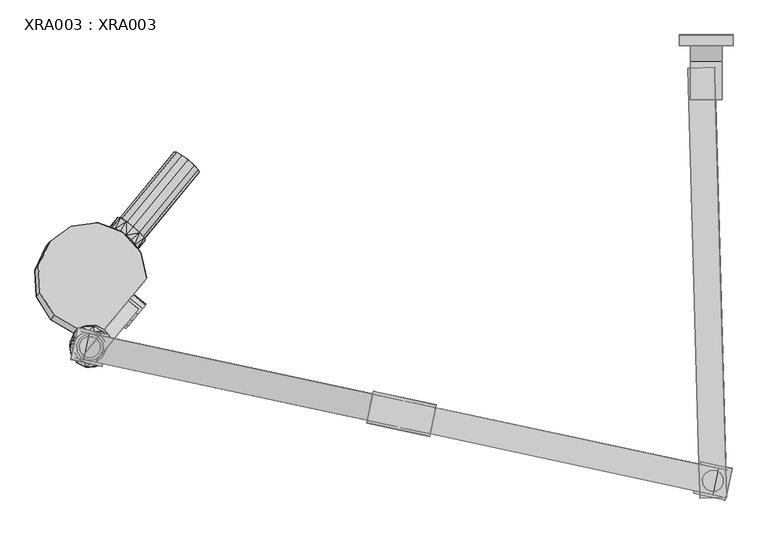
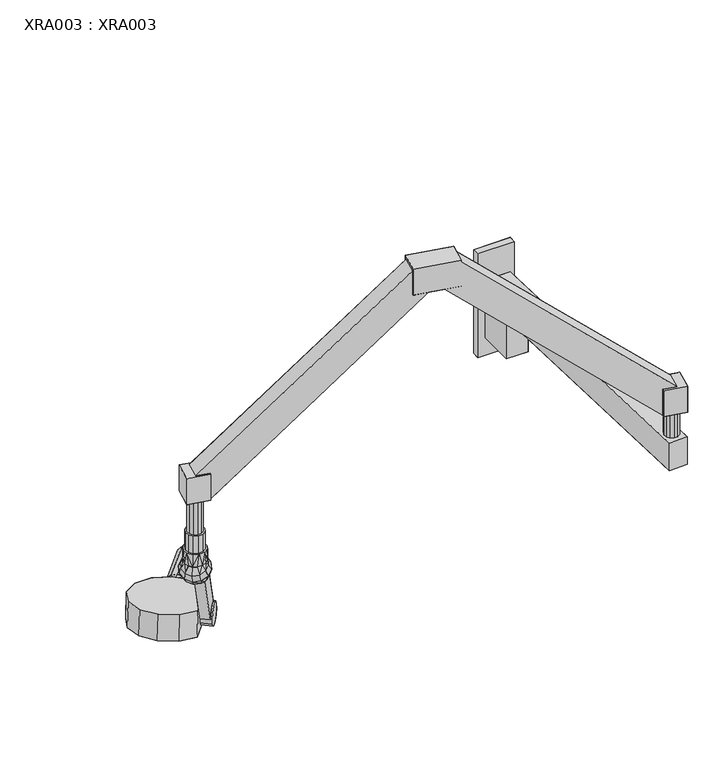
"""IFC4 building model written with IfcOpenShell, lengths in millimetres: proxy geometry, XRA003 : XRA003."""

from ifc_helpers import new_model, si_unit, origin, place, context, project, spatial, triangles, source, transform, mapped, element, save


def xra003_xra003_fbb56f65(model_context):
    return source(origin(), model_context, "Body", "Tessellation", [
        triangles([(-1120.6799961, -576.269985, 225.0000017), (-1119.449984, -589.1600049, 225.0000017), (-1076.7499741, -596.3500093, 225.0000017), (-1071.3699972, -584.5900077, 225.0000017), (-1111.9500057, -599.6999866, 225.0000017), (-1100.1800119, -605.0799997, 225.0000017), (-1115.2899908, -564.5099833, 225.0000017), (-1104.7500092, -557.000013, 225.0000017), (-1091.8699814, -555.779993, 225.0000017), (-1072.5899809, -571.6999878, 225.0000017), (-1080.0999876, -561.1600061, 225.0000017), (-1087.2900284, -603.8600161, 225.0000017), (-1071.3699972, -584.5900077, 175.0000013), (-1076.7499741, -596.3500093, 175.0000013), (-1087.2900284, -603.8600161, 175.0000013), (-1100.1800119, -605.0799997, 175.0000013), (-1111.9500057, -599.6999866, 175.0000013), (-1120.6799961, -576.269985, 175.0000013), (-1119.449984, -589.1600049, 175.0000013), (-1104.7500092, -557.000013, 175.0000013), (-1115.2899908, -564.5099833, 175.0000013), (-1091.8699814, -555.779993, 175.0000013), (-1080.0999876, -561.1600061, 175.0000013), (-1072.5899809, -571.6999878, 175.0000013), (-1125.6100004, -575.4500133, 175.0000013), (-1119.1399738, -561.3199891, 175.0000013), (-1119.1600307, -561.3300176, 142.519998), (-1124.7000269, -571.6200145, 141.5999961), (-1066.4399929, -585.4200079, 175.0000013), (-1072.8900352, -599.5400036, 175.0000013), (-1072.8900352, -599.5400036, 142.519998), (-1067.3499664, -589.2500067, 143.4099964), (-1069.5199648, -566.3899921, 144.619997), (-1067.910034, -569.9600141, 175.0000013), (-1066.149967, -577.6099832, 144.1400027), (-1076.9099934, -557.2999947, 144.7899994), (-1076.9200218, -557.3099868, 175.0000013), (-1098.8899744, -550.5599991, 144.1400027), (-1091.0299891, -550.8499887, 175.0000013), (-1087.2400314, -551.7400143, 144.619997), (-1106.4900192, -552.3100013, 175.0000013), (-1122.5300285, -594.4799927, 140.2399955), (-1124.140032, -590.9100071, 175.0000013), (-1125.8899979, -583.2500095, 140.7999995), (-1115.1299715, -603.559998, 140.0499998), (-1115.1299715, -603.559998, 175.0000013), (-1093.1499905, -610.2900015, 140.7999995), (-1101.0099758, -610.010004, 175.0000013), (-1104.8100346, -609.1099863, 140.2399955), (-1085.5500183, -608.5399993, 175.0000013), (-1110.0999733, -553.939989, 143.4099964), (-1081.9599758, -606.9200037, 141.5999961), (-1100.3600155, -585.6799848, 77.1499965), (-1052.3899784, -527.6200112, -78.3499959), (-1033.1200064, -543.5499982, -78.3499959), (-1093.4400164, -592.2400131, 78.4800025), (-1088.0000141, -599.1600122, 82.3599983), (-1084.5600351, -605.8199982, 88.4100014), (-1092.9899712, -603.96001, 85.0699982), (-1106.8399979, -593.5199859, 80.9800044), (-1103.6899721, -589.7100077, 78.7200042), (-1069.5999744, -548.4599819, 109.2999963), (-1069.2399673, -548.0100094, 114.7199962), (-1058.5999918, -562.3299929, 111.2200009), (-1071.7699728, -551.069997, 133.5800005), (-1109.9400267, -542.8900094, 124.8600022), (-1126.9599907, -563.4799953, 134.1499966), (-1106.5400162, -608.8500094, 139.7700024), (-1115.7800045, -604.3499934, 138.6099987), (-1120.1099728, -609.5900079, 119.0500008), (-1104.0999762, -617.4000326, 121.0699992), (-1117.6299643, -606.5900093, 98.7099996), (-1129.9800098, -590.1200117, 101.0500003), (-1120.6900246, -582.5299953, 85.9599966), (-1109.7699789, -597.0800157, 83.9000024), (-1130.8000179, -595.3300135, 121.0699992), (-1121.9600052, -596.1200089, 139.7700024), (-1079.4599831, -614.7700333, 107.4299978), (-1087.0499994, -616.6800184, 126.6000032), (-1099.1400318, -615.6100256, 101.0500003), (-1055.909967, -571.1200087, 110.2099971), (-1056.5299873, -587.0199829, 124.8600022), (-1056.0899706, -579.2000024, 105.699998), (-1063.870019, -604.3099886, 116.1499961), (-1062.4499748, -594.180011, 98.1499956), (-1067.1900198, -592.6399887, 141.699999), (-1059.6600288, -575.6800138, 97.1099973), (-1066.7600315, -584.2600133, 88.0400022), (-1073.550024, -607.6100052, 134.1499966), (-1116.7600319, -550.0199884, 99.3099993), (-1123.2499701, -565.3000151, 91.5999957), (-1132.8700224, -570.6399871, 107.4299978), (-1125.5400192, -553.3500177, 116.1499961), (-1102.9700306, -540.770008, 107.0100017), (-1113.4499868, -554.4200106, 141.699999), (-1090.2500221, -542.0600092, 131.250001), (-1085.580031, -540.0400017, 112.660002), (-1070.430011, -549.4500014, 104.0100031), (-1064.7799925, -557.5500157, 100.2799982), (-1071.6999916, -550.9899874, 98.9400001), (-1059.3399902, -564.480007, 104.1500018), (-1075.6900097, -595.0700003, 84.9199983), (-1075.9500229, -603.2399958, 90.6000022), (-1059.4199999, -567.5399946, 131.250001), (-1133.3099665, -578.4600039, 126.6000032), (-1049.6000324, -524.2500134, -64.3299987), (-1042.9000053, -516.140007, -54.0700009), (-1033.8999733, -505.2500104, -50.0299995), (-1024.7599789, -494.1900023, -53.179998), (-1005.5000353, -510.1199893, -53.179998), (-1030.3200319, -540.1700083, -64.3299987), (-1023.6300333, -532.069994, -54.0700009), (-1014.6300013, -521.1799973, -50.0299995), (-1008.1700031, -412.0400022, -128.3499963), (-1169.1699869, -529.359985, -99.7300045), (-1195.3899708, -486.8000101, -102.1200022), (-1041.0799856, -374.3400141, -129.5499958), (-1087.8099821, -356.6300122, -127.1599981), (-1137.1499937, -363.1400073, -121.7600007), (-1198.2799833, -437.1300041, -107.5199996), (-1177.1800358, -392.3199849, -114.6399956), (-1125.9500233, -554.5799935, -100.930004), (-997.0200296, -460.6299869, -123.8499985), (-1076.1399822, -556.3600084, -105.4300018), (-1028.020027, -371.9299868, -63.3099983), (-1001.6299953, -404.1299835, -59.0999991), (-1018.9800264, -380.890014, -65.7000005), (-1059.999979, -358.8199948, -95.149997), (-1081.2800028, -348.7100015, -57.9100008), (-1056.340028, -358.369986, -82.7399987), (-1119.4100155, -546.6599828, -31.6900011), (-1162.6200233, -521.4500027, -30.4899994), (-1188.8400072, -478.8899915, -32.8799993), (-1191.750004, -429.2099934, -38.279999), (-1170.640028, -384.389982, -45.3999995), (-1130.6000301, -355.2199965, -52.5099989), (-1034.1899992, -379.3899965, -128.5999992), (-1044.2100271, -371.6300051, -125.9800011), (-1034.530022, -366.4299954, -60.2999985), (-1069.5900187, -548.4499898, -36.1899989), (-1048.620005, -360.2199821, -72.4800009), (-1038.5199675, -364.7399823, -65.7000005), (-1012.6400064, -389.9499988, -72.4800009), (-1009.3599741, -397.1900002, -82.7399987), (-1009.1200178, -400.860016, -95.149997), (-990.4899776, -452.7100124, -54.6000012), (-1011.7300329, -400.0599921, -107.799997), (-1016.9999874, -395.230018, -118.6399967), (-1024.6799692, -387.7899925, -125.9800011), (-1052.979986, -365.5000013, -118.6399967), (-1058.7100142, -361.2299858, -107.799997), (-1009.1799706, -372.9100142, -124.5099963), (-999.729966, -378.6199854, -113.580004), (-997.860022, -380.4499972, -115.0499996), (-1008.2500128, -374.1799948, -127.0699963), (-995.3000038, -379.4300014, -98.7200008), (-992.9800146, -381.3299944, -98.7099996), (-1003.1700176, -367.4999883, -70.5300018), (-994.9299683, -376.5899858, -82.4100043), (-997.0700266, -375.1200173, -83.9100036), (-1004.5599764, -366.8499916, -73.1099997), (-1028.6300188, -346.4900062, -70.7299987), (-1015.5199905, -356.479985, -66.2599999), (-1015.7800037, -356.83, -69.2299994), (-1027.7100168, -347.7599868, -73.2899987), (-1037.1600214, -342.0500155, -84.2199956), (-1039.0200096, -340.2299958, -82.7499999), (-1041.5899836, -341.2399996, -99.0799988), (-1043.900017, -339.3400065, -99.1000012), (-1033.6999855, -353.1800048, -127.2700023), (-1041.9600191, -344.0800152, -115.3900043), (-1039.8200335, -345.5499836, -113.889996), (-1032.3100267, -353.8300014, -124.6899999), (-1021.3699968, -364.200008, -131.5399997), (-1021.1000278, -363.8400009, -128.5799968), (-934.2899923, -217.5799968, -108.1600041), (-924.8500162, -223.2700019, -97.2300027), (-906.3199699, -248.4399954, -148.4499958), (-918.249983, -239.3700003, -152.5199963), (-912.9200031, -232.3599994, -93.1700034), (-894.1999975, -250.6299962, -107.8500031), (-901.7100042, -242.3699989, -97.0499991), (-892.4400032, -254.9399983, -122.6600003), (-938.7200272, -216.769999, -123.0199983), (-936.9500044, -221.0800012, -137.8300045), (-929.4599819, -229.3500087, -148.6299994), (-896.8799938, -254.1399927, -137.5200035), (-1036.229991, -508.0700054, -109.6699955), (-1045.28002, -519.0199911, -103.4100034), (-1018.4100031, -486.5099842, -98.8100025), (-1026.399995, -496.1600129, -107.9800006), (-1014.419985, -481.6800101, -84.599996), (-1015.5000063, -482.9800035, -69.16), (-1051.1199978, -526.0900174, -90.8799997), (-1021.3399841, -490.0599855, -56.6300009), (-1030.3999689, -501.0100076, -50.3699996), (-1040.2299648, -512.9000158, -52.0499979), (-1048.210001, -522.5600003, -61.2300017), (-1052.1899906, -527.3900107, -75.4399992), (-1027.9999701, -545.2000065, -90.8799997), (-1017.0999813, -532.019997, -52.0499979), (-1025.0800175, -541.6699894, -61.2300017), (-1029.0700356, -546.4999998, -75.4399992), (-1007.2699854, -520.1100045, -50.3699996), (-998.2100006, -509.1599825, -56.6300009), (-1022.1499638, -538.1300165, -103.4100034), (-1013.1000074, -527.1700024, -109.6699955), (-992.3700228, -502.0899925, -69.16), (-995.2800196, -505.6100175, -98.8100025), (-991.3000299, -500.7899992, -84.599996), (-1003.2700115, -515.2799941, -107.9800006), (-1096.6199821, -554.7299844, 400.0000031), (-1061.4500359, -562.289988, 400.0000031), (-1061.4500359, -562.289988, 325.0000025), (-1113.3100245, -551.1500067, 384.8799957), (-1107.1199953, -603.609995, 400.0000031), (-1123.8000092, -600.0400094, 384.8799957), (-1071.9299921, -611.170035, 325.0000025), (-1071.9299921, -611.170035, 400.0000031), (-1072.9900291, -616.0599981, 325.0000025), (-1072.9900291, -616.0599981, 400.0000031), (-1060.3899988, -557.3999886, 400.0000031), (-1060.3899988, -557.3999886, 325.0000025), (-1131.649966, -603.4600041, 400.0000031), (-1119.0500084, -544.7999946, 400.0000031), (-1131.649966, -603.4600041, 325.0000025), (-1119.0500084, -544.7999946, 325.0000025), (26.9499993, -852.2000175, 400.0000031), (26.9499993, -852.2000175, 325.0000025), (85.6099998, -864.779991, 400.0000031), (85.6099998, -864.779991, 325.0000025), (98.2100028, -806.1300098, 325.0000025), (98.2100028, -806.1300098, 400.0000031), (39.5400011, -793.5299795, 325.0000025), (39.5400011, -793.5299795, 400.0000031), (28.000001, -847.3000259, 325.0000025), (38.4999983, -798.4200153, 325.0000025), (73.6800003, -805.9699905, 400.0000031), (38.4999983, -798.4200153, 400.0000031), (63.190002, -854.8600296, 400.0000031), (28.000001, -847.3000259, 400.0000031), (79.8699976, -858.439971, 384.8799957), (90.3700017, -809.560033, 384.8799957), (-464.3499996, -746.7199734, 809.9999771), (-581.6800109, -721.5300138, 809.9999771), (-581.6800109, -721.5300138, 884.9999777), (-464.3499996, -746.7199734, 884.9999777), (-451.7599977, -688.0599638, 884.9999777), (-569.090009, -662.8700043, 884.9999777), (-451.7599977, -688.0599638, 809.9999771), (-569.090009, -662.8700043, 809.9999771), (-536.679996, -726.0800268, 809.9999771), (-507.2599895, -732.3900341, 809.9999771), (-526.1900113, -677.2000162, 809.9999771), (-496.7700047, -683.5100235, 809.9999771), (-580.6300023, -716.6500065, 809.9999771), (-463.299991, -741.8300102, 809.9999771), (-452.8100063, -692.9399712, 809.9999771), (-570.1299891, -667.7599674, 809.9999771), (-463.299991, -741.8300102, 877.0500269), (-452.8100063, -692.9399712, 877.0500269), (-580.6300023, -716.6500065, 877.0500269), (-570.1299891, -667.7599674, 877.0500269), (-467.1600025, -740.9999737, 880.5500313), (-519.0299832, -729.8699844, 820.6699654), (-508.5399985, -680.980018, 820.6699654), (-456.6700178, -692.1200357, 880.5500313), (-514.4099891, -679.7199932, 820.6699654), (-524.9100022, -728.6100323, 820.6699654), (-576.7799829, -717.4700146, 880.5500313), (-566.2800061, -668.5799755, 880.5500313), (-1076.990003, -574.2899823, 325.0000025), (-1082.6100088, -565.5900046, 325.0000025), (-1115.5699883, -576.2300165, 325.0000025), (-1110.8600286, -567.0100124, 325.0000025), (-1102.1599783, -561.3999988, 325.0000025), (-1091.8199844, -560.8800087, 325.0000025), (-1076.4600208, -584.6300125, 325.0000025), (-1115.0500345, -586.5700104, 325.0000025), (-1081.1899647, -593.8399881, 325.0000025), (-1089.8799866, -599.4599939, 325.0000025), (-1109.4399845, -595.2599959, 325.0000025), (-1100.2199804, -599.9900125, 325.0000025), (-1076.4600208, -584.6300125, 225.0000017), (-1081.1899647, -593.8399881, 225.0000017), (-1115.0500345, -586.5700104, 225.0000017), (-1115.5699883, -576.2300165, 225.0000017), (-1109.4399845, -595.2599959, 225.0000017), (-1089.8799866, -599.4599939, 225.0000017), (-1100.2199804, -599.9900125, 225.0000017), (-1076.990003, -574.2899823, 225.0000017), (-1110.8600286, -567.0100124, 225.0000017), (-1082.6100088, -565.5900046, 225.0000017), (-1102.1599783, -561.3999988, 225.0000017), (-1091.8199844, -560.8800087, 225.0000017), (77.4200018, -842.5700094, 325.0000025), (82.139999, -833.3600338, 325.0000025), (47.7400002, -815.7499895, 325.0000025), (43.0299998, -824.9599651, 325.0000025), (81.6099986, -823.0100115, 325.0000025), (56.4400006, -810.1299837, 325.0000025), (75.9900019, -814.330018, 325.0000025), (66.779999, -809.6000015, 325.0000025), (68.7200014, -848.199971, 325.0000025), (49.159999, -844.0000093, 325.0000025), (58.3899997, -848.7199974, 325.0000025), (43.5400023, -835.3000317, 325.0000025), (43.5400023, -835.3000317, 250.0000019), (43.0299998, -824.9599651, 250.0000019), (58.3899997, -848.7199974, 250.0000019), (49.159999, -844.0000093, 250.0000019), (68.7200014, -848.199971, 250.0000019), (77.4200018, -842.5700094, 250.0000019), (47.7400002, -815.7499895, 250.0000019), (82.139999, -833.3600338, 250.0000019), (81.6099986, -823.0100115, 250.0000019), (75.9900019, -814.330018, 250.0000019), (56.4400006, -810.1299837, 250.0000019), (66.779999, -809.6000015, 250.0000019), (87.929998, -859.769977, 169.9999977), (37.959999, -861.1799927, 169.9999977), (87.929998, -859.769977, 250.0000019), (37.959999, -861.1799927, 250.0000019), (15.4699996, -61.4900013, 169.9999977), (15.4699996, -61.4900013, 250.0000019), (65.4500021, -60.0900004, 169.9999977), (65.4500021, -60.0900004, 250.0000019), (80.0000042, -20.0000011, 210.0000089), (80.0000042, -20.0000011, 50.0000004), (80.0000042, -49.4599988, 169.9999977), (80.0000042, -119.9999973, 169.9999977), (80.0000042, -119.9999973, 50.0000004), (20.0000011, -20.0000011, 210.0000089), (20.0000011, -20.0000011, 50.0000004), (20.0000011, -49.4599988, 169.9999977), (20.0000011, -119.9999973, 169.9999977), (20.0000011, -119.9999973, 50.0000004), (100.0000008, -20.0000011, 300.0000023), (100.0000008, -20.0000011, 0.0), (100.0000008, 0.0, 0.0), (100.0000008, 0.0, 300.0000023), (0.0, 0.0, 0.0), (0.0, 0.0, 300.0000023), (0.0, -20.0000011, 0.0), (0.0, -20.0000011, 300.0000023)], [[1, 2, 3], [1, 3, 4], [2, 5, 6], [7, 1, 4], [8, 7, 4], [9, 8, 4], [10, 11, 9], [10, 9, 4], [12, 2, 6], [12, 3, 2], [13, 4, 3], [13, 3, 14], [12, 15, 14], [12, 14, 3], [15, 12, 6], [15, 6, 16], [5, 17, 16], [5, 16, 6], [18, 19, 2], [18, 2, 1], [20, 21, 7], [20, 7, 8], [8, 9, 22], [8, 22, 20], [11, 23, 22], [11, 22, 9], [23, 11, 24], [11, 10, 24], [4, 13, 24], [4, 24, 10], [1, 7, 21], [1, 21, 18], [5, 2, 19], [5, 19, 17], [25, 26, 27], [25, 27, 28], [29, 30, 31], [29, 31, 32], [33, 34, 35], [36, 37, 34], [36, 34, 33], [38, 39, 40], [41, 39, 38], [42, 43, 44], [45, 46, 43], [45, 43, 42], [47, 48, 49], [50, 48, 47], [45, 49, 48], [45, 48, 46], [25, 44, 43], [44, 25, 28], [41, 51, 27], [41, 27, 26], [51, 41, 38], [36, 40, 39], [36, 39, 37], [29, 35, 34], [35, 29, 32], [52, 50, 47], [31, 30, 50], [31, 50, 52], [17, 19, 43], [17, 43, 46], [50, 30, 15], [30, 14, 15], [23, 24, 37], [24, 34, 37], [37, 39, 22], [37, 22, 23], [41, 20, 22], [41, 22, 39], [41, 26, 21], [41, 21, 20], [25, 18, 21], [25, 21, 26], [46, 48, 16], [46, 16, 17], [50, 15, 48], [15, 16, 48], [29, 13, 14], [29, 14, 30], [18, 25, 43], [18, 43, 19], [13, 29, 34], [13, 34, 24], [53, 54, 55], [53, 55, 56], [57, 56, 55], [58, 57, 55], [59, 60, 61], [59, 61, 56], [62, 63, 64], [65, 36, 33], [38, 66, 51], [27, 67, 28], [68, 69, 70], [68, 70, 71], [72, 73, 74], [72, 74, 75], [76, 70, 69], [76, 69, 77], [45, 77, 69], [78, 79, 71], [78, 71, 80], [59, 80, 72], [59, 72, 75], [71, 70, 72], [71, 72, 80], [71, 79, 47], [71, 47, 49], [68, 71, 49], [78, 80, 58], [81, 82, 83], [84, 85, 83], [84, 83, 82], [32, 82, 35], [32, 86, 82], [87, 83, 85], [88, 87, 85], [89, 84, 82], [89, 82, 86], [76, 77, 42], [73, 72, 70], [73, 70, 76], [45, 69, 68], [90, 91, 92], [90, 92, 93], [91, 74, 73], [91, 73, 92], [66, 94, 90], [66, 90, 93], [95, 66, 93], [95, 93, 67], [96, 97, 94], [96, 94, 66], [96, 65, 63], [96, 63, 97], [98, 62, 64], [98, 64, 99], [100, 98, 99], [101, 99, 64], [81, 101, 64], [81, 83, 87], [102, 88, 85], [103, 78, 58], [85, 84, 78], [85, 78, 103], [103, 102, 85], [102, 103, 58], [53, 56, 61], [59, 58, 80], [59, 57, 58], [59, 56, 57], [60, 59, 75], [31, 86, 32], [104, 65, 33], [64, 63, 65], [64, 65, 104], [104, 81, 64], [104, 82, 81], [104, 35, 82], [35, 104, 33], [40, 36, 65], [96, 66, 38], [96, 40, 65], [40, 96, 38], [95, 67, 27], [95, 51, 66], [51, 95, 27], [44, 105, 76], [44, 76, 42], [92, 73, 76], [92, 76, 105], [67, 93, 92], [67, 92, 105], [105, 28, 67], [44, 28, 105], [42, 77, 45], [45, 68, 49], [52, 47, 79], [89, 86, 31], [79, 78, 84], [79, 84, 89], [89, 52, 79], [52, 89, 31], [97, 74, 91], [94, 97, 91], [90, 94, 91], [63, 75, 74], [63, 74, 97], [106, 53, 107], [63, 62, 98], [61, 60, 75], [53, 61, 75], [54, 53, 106], [100, 63, 98], [53, 75, 63], [53, 63, 100], [108, 107, 53], [108, 53, 100], [109, 108, 100], [101, 81, 110], [99, 101, 110], [110, 109, 100], [110, 100, 99], [88, 102, 111], [88, 111, 112], [110, 87, 113], [81, 87, 110], [112, 113, 87], [112, 87, 88], [58, 111, 102], [55, 111, 58], [112, 111, 106], [112, 106, 107], [110, 113, 108], [110, 108, 109], [107, 108, 113], [107, 113, 112], [54, 106, 111], [54, 111, 55], [114, 115, 116], [114, 116, 117], [118, 117, 116], [119, 118, 116], [120, 121, 119], [120, 119, 116], [122, 115, 114], [123, 124, 122], [123, 122, 114], [125, 126, 127], [128, 118, 129], [130, 128, 129], [115, 122, 131], [115, 131, 132], [133, 116, 132], [116, 115, 132], [116, 133, 134], [116, 134, 120], [135, 121, 120], [135, 120, 134], [121, 135, 136], [121, 136, 119], [129, 118, 119], [129, 119, 136], [137, 117, 138], [114, 117, 137], [139, 126, 125], [140, 131, 122], [140, 122, 124], [141, 130, 129], [139, 141, 129], [142, 141, 139], [142, 139, 125], [143, 127, 126], [144, 143, 126], [145, 144, 126], [126, 146, 123], [126, 123, 114], [114, 145, 126], [147, 145, 114], [148, 147, 114], [149, 148, 114], [149, 114, 137], [118, 138, 117], [150, 138, 118], [151, 150, 118], [151, 118, 128], [131, 139, 129], [131, 129, 132], [133, 132, 129], [134, 133, 129], [136, 135, 134], [136, 134, 129], [126, 139, 131], [140, 146, 126], [140, 126, 131], [146, 140, 124], [146, 124, 123], [152, 153, 154], [152, 154, 155], [156, 157, 154], [156, 154, 153], [158, 159, 160], [158, 160, 161], [162, 163, 164], [162, 164, 165], [165, 166, 167], [165, 167, 162], [168, 169, 167], [168, 167, 166], [170, 171, 172], [170, 172, 173], [155, 174, 175], [155, 175, 152], [161, 164, 163], [161, 163, 158], [156, 160, 159], [156, 159, 157], [173, 175, 174], [173, 174, 170], [168, 172, 171], [168, 171, 169], [167, 169, 128], [167, 128, 130], [170, 150, 171], [138, 150, 170], [170, 174, 137], [170, 137, 138], [155, 149, 137], [155, 137, 174], [148, 149, 155], [145, 147, 154], [145, 154, 157], [159, 144, 145], [159, 145, 157], [158, 143, 159], [127, 143, 158], [158, 163, 125], [158, 125, 127], [162, 142, 125], [162, 125, 163], [167, 141, 162], [130, 141, 167], [171, 151, 128], [171, 128, 169], [151, 171, 150], [142, 162, 141], [144, 159, 143], [148, 154, 147], [154, 148, 155], [176, 177, 178], [176, 178, 179], [180, 181, 177], [182, 181, 180], [183, 177, 181], [184, 176, 179], [185, 184, 179], [186, 185, 179], [187, 177, 183], [187, 178, 177], [166, 165, 177], [166, 177, 176], [176, 184, 168], [176, 168, 166], [185, 172, 184], [172, 168, 184], [172, 185, 186], [172, 186, 173], [179, 175, 173], [179, 173, 186], [175, 179, 178], [175, 178, 152], [187, 153, 152], [187, 152, 178], [153, 187, 183], [153, 183, 156], [181, 160, 156], [181, 156, 183], [164, 161, 182], [164, 182, 180], [180, 177, 165], [180, 165, 164], [181, 182, 161], [181, 161, 160], [188, 189, 190], [191, 188, 190], [192, 190, 189], [193, 192, 189], [194, 195, 193], [194, 193, 189], [196, 195, 194], [197, 196, 194], [198, 197, 194], [199, 198, 194], [200, 201, 202], [203, 200, 202], [204, 201, 200], [205, 204, 200], [205, 200, 206], [207, 208, 205], [207, 205, 206], [209, 210, 208], [211, 209, 208], [207, 211, 208], [207, 206, 189], [207, 189, 188], [190, 192, 210], [190, 210, 209], [194, 200, 199], [200, 203, 199], [202, 198, 199], [202, 199, 203], [198, 202, 201], [198, 201, 197], [204, 196, 197], [204, 197, 201], [196, 204, 205], [196, 205, 195], [208, 193, 195], [208, 195, 205], [188, 191, 211], [188, 211, 207], [200, 194, 189], [200, 189, 206], [209, 211, 191], [209, 191, 190], [193, 208, 210], [193, 210, 192], [212, 213, 214], [212, 214, 215], [216, 212, 215], [216, 215, 217], [216, 217, 218], [216, 218, 219], [214, 215, 217], [214, 217, 218], [219, 218, 220], [219, 220, 221], [213, 222, 223], [213, 223, 214], [216, 221, 224], [216, 219, 221], [225, 212, 224], [212, 216, 224], [225, 222, 212], [222, 213, 212], [218, 214, 226], [214, 227, 226], [214, 223, 227], [226, 220, 218], [227, 223, 225], [223, 222, 225], [226, 227, 224], [227, 225, 224], [220, 226, 224], [220, 224, 221], [228, 229, 230], [229, 231, 230], [230, 231, 232], [230, 232, 233], [233, 232, 234], [233, 234, 235], [236, 237, 231], [237, 232, 231], [234, 232, 237], [229, 236, 231], [235, 238, 233], [239, 238, 235], [230, 233, 238], [230, 238, 240], [228, 230, 240], [241, 228, 240], [241, 236, 229], [241, 229, 228], [239, 235, 234], [239, 234, 237], [242, 236, 237], [242, 237, 243], [238, 239, 237], [238, 237, 243], [240, 242, 236], [240, 236, 241], [238, 243, 242], [238, 242, 240], [244, 245, 246], [244, 246, 247], [248, 249, 250], [249, 251, 250], [252, 245, 253], [254, 255, 250], [253, 255, 252], [255, 254, 252], [252, 256, 245], [245, 244, 253], [244, 257, 253], [255, 258, 250], [250, 251, 254], [251, 259, 254], [246, 249, 248], [246, 248, 247], [244, 247, 260], [261, 260, 247], [261, 247, 248], [248, 250, 261], [250, 258, 261], [260, 257, 244], [246, 262, 263], [246, 263, 249], [246, 245, 262], [245, 256, 262], [263, 251, 249], [263, 259, 251], [264, 265, 266], [264, 266, 267], [253, 257, 264], [253, 264, 265], [257, 260, 264], [253, 265, 266], [253, 266, 255], [255, 266, 258], [261, 258, 266], [261, 266, 267], [261, 267, 264], [261, 264, 260], [252, 254, 268], [252, 268, 269], [270, 256, 252], [270, 252, 269], [270, 262, 256], [254, 259, 271], [254, 271, 268], [259, 263, 271], [263, 262, 270], [263, 270, 271], [270, 271, 268], [270, 268, 269], [268, 271, 215], [268, 215, 214], [217, 270, 269], [217, 269, 218], [269, 268, 214], [269, 214, 218], [270, 217, 215], [270, 215, 271], [272, 273, 274], [273, 275, 274], [276, 275, 273], [277, 276, 273], [278, 272, 274], [279, 280, 278], [279, 278, 274], [281, 280, 282], [283, 281, 282], [279, 282, 280], [284, 285, 286], [284, 286, 287], [288, 286, 285], [289, 290, 288], [289, 288, 285], [291, 284, 287], [292, 293, 291], [292, 291, 287], [294, 295, 293], [292, 294, 293], [275, 292, 287], [275, 287, 274], [286, 279, 287], [279, 274, 287], [279, 286, 288], [279, 288, 282], [290, 283, 282], [290, 282, 288], [283, 290, 289], [283, 289, 281], [285, 280, 281], [285, 281, 289], [280, 285, 284], [280, 284, 278], [291, 272, 278], [291, 278, 284], [272, 291, 293], [272, 293, 273], [295, 277, 293], [277, 273, 293], [277, 295, 294], [277, 294, 276], [292, 275, 294], [275, 276, 294], [266, 237, 243], [266, 243, 267], [243, 237, 236], [243, 236, 242], [242, 264, 265], [242, 265, 236], [266, 265, 236], [266, 236, 237], [267, 243, 242], [267, 242, 264], [296, 297, 298], [296, 298, 299], [300, 301, 298], [300, 298, 297], [302, 303, 301], [300, 302, 301], [304, 296, 305], [306, 304, 305], [307, 305, 296], [307, 296, 299], [308, 309, 310], [311, 308, 310], [312, 310, 309], [313, 312, 309], [314, 315, 313], [314, 313, 309], [316, 315, 314], [317, 316, 314], [318, 319, 317], [318, 317, 314], [298, 314, 309], [298, 309, 299], [303, 302, 317], [303, 317, 319], [308, 307, 309], [307, 299, 309], [307, 308, 311], [307, 311, 305], [310, 306, 311], [306, 305, 311], [306, 310, 304], [310, 312, 304], [313, 296, 304], [313, 304, 312], [296, 313, 315], [296, 315, 297], [316, 300, 297], [316, 297, 315], [319, 318, 303], [318, 301, 303], [314, 298, 318], [298, 301, 318], [300, 316, 317], [300, 317, 302], [320, 321, 322], [321, 323, 322], [321, 324, 325], [321, 325, 323], [324, 326, 327], [324, 327, 325], [326, 320, 322], [326, 322, 327], [320, 326, 324], [320, 324, 321], [322, 323, 325], [322, 325, 327], [328, 329, 330], [331, 330, 329], [331, 329, 332], [328, 333, 334], [328, 334, 329], [334, 335, 336], [334, 336, 337], [334, 333, 335], [336, 331, 332], [336, 332, 337], [332, 329, 334], [332, 334, 337], [330, 331, 336], [330, 336, 335], [328, 330, 335], [328, 335, 333], [338, 339, 340], [338, 340, 341], [341, 340, 342], [341, 342, 343], [343, 342, 344], [343, 344, 345], [345, 344, 339], [345, 339, 338], [339, 344, 342], [339, 342, 340], [341, 343, 345], [341, 345, 338]], closed=False),
    ])


if __name__ == "__main__":
    model = new_model("IFC4")
    model_context = context("Model", 3, world=origin())
    ifc_project = project(units=[si_unit("LENGTHUNIT", "METRE", prefix="MILLI")], contexts=[model_context])
    site = spatial("IfcSite", under=ifc_project)
    building = spatial("IfcBuilding", under=site)
    placement = place(None, origin())
    xra003_xra003_shape = xra003_xra003_fbb56f65(model_context)
    element("IfcBuildingElementProxy", 1, Name="XRA003 : XRA003", ObjectType="XRA003 : XRA003", at=placement, inside=building, context=model_context, shape_type="MappedRepresentation", body=[
        mapped(xra003_xra003_shape, transform((0.0, 0.0, 0.0), x_axis=(1.0, 0.0, 0.0), y_axis=(0.0, 1.0, 0.0), z_axis=(0.0, 0.0, 1.0))),
    ])
    save(model, "model.ifc")
